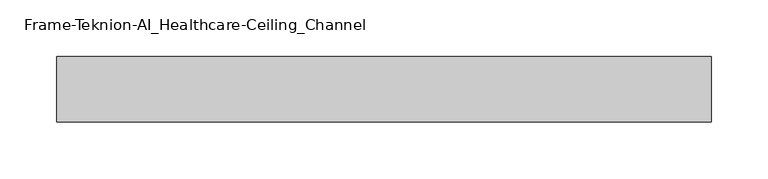
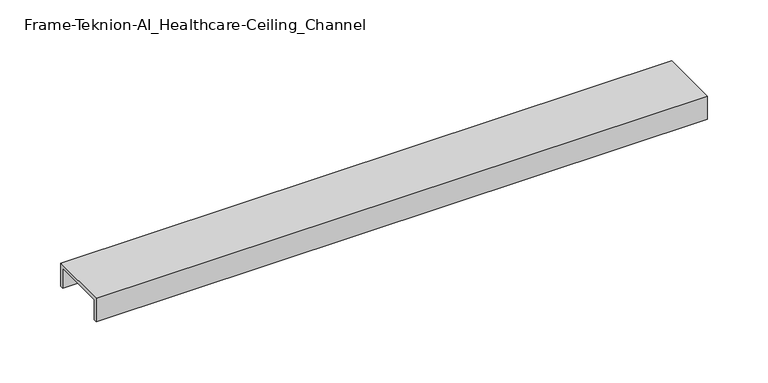
"""IFC4 building model written with IfcOpenShell, lengths in millimetres: proxy geometry, Frame-Teknion-AI_Healthcare-Ceiling_Channel."""

import ifcopenshell
import ifcopenshell.guid

model = None  # the IFC model being written
_history = None  # IfcOwnerHistory: only IFC2X3 demands one
_inside = {}  # id of a spatial element -> (the spatial element, [elements in it])
_under = {}  # id of a project, library or spatial element -> (it, [spatial elements below it])
_declared = {}  # id of a project -> (the project, [libraries it declares])
_typed = {}  # id of a type object -> (the type object, [elements of that type])
_made_of = {}  # id of a material, layer set ... -> (it, [elements and type objects made of it])


def new_model(schema):
    """Start an empty IFC model of exactly this schema.

    Asked for "IFC4X3", IfcOpenShell would pick the latest addendum, in which some entities
    have other attributes; the version numbers below select the first issue.
    IFC2X3 requires an IfcOwnerHistory on every rooted entity: one is made here for all.
    """
    global model, _history
    if schema == "IFC4X3":
        model = ifcopenshell.file(schema_version=(4, 3, 0, 0))
    else:
        model = ifcopenshell.file(schema=schema)
    _inside.clear()
    _under.clear()
    _declared.clear()
    _typed.clear()
    _made_of.clear()
    _history = None
    if model.schema == "IFC2X3":
        org = make("IfcOrganization", Name="unknown")
        user = make(
            "IfcPersonAndOrganization",
            ThePerson=make("IfcPerson", FamilyName="unknown"),
            TheOrganization=org,
        )
        app = make(
            "IfcApplication",
            ApplicationDeveloper=org,
            Version="unknown",
            ApplicationFullName="unknown",
            ApplicationIdentifier="unknown",
        )
        _history = make(
            "IfcOwnerHistory",
            OwningUser=user,
            OwningApplication=app,
            ChangeAction="ADDED",
            CreationDate=0,
        )
    return model


def make(cls, **values):
    """One entity of the class cls with the attributes given. An attribute that is None is left unset."""
    return model.create_entity(
        cls, **{name: value for name, value in values.items() if value is not None}
    )


def rooted(cls, **values):
    """An entity with a GlobalId (a new one), such as an element, a storey or a relation."""
    return make(cls, GlobalId=ifcopenshell.guid.new(), OwnerHistory=_history, **values)


def si_unit(unit_type, name, prefix=None):
    """IfcSIUnit, for example si_unit("LENGTHUNIT", "METRE", prefix="MILLI")."""
    return make("IfcSIUnit", UnitType=unit_type, Prefix=prefix, Name=name)


def assignment(units):
    """IfcUnitAssignment: the units of a project."""
    return None if units is None else make("IfcUnitAssignment", Units=units)


def point(xyz):
    """IfcCartesianPoint."""
    return None if xyz is None else make("IfcCartesianPoint", Coordinates=xyz)


def direction(xyz):
    """IfcDirection."""
    return None if xyz is None else make("IfcDirection", DirectionRatios=xyz)


def frame(location, z_axis=None, x_axis=None):
    """IfcAxis2Placement3D, a coordinate frame: its origin and axes. An axis left out is left unset."""
    return make(
        "IfcAxis2Placement3D",
        Location=point(location),
        Axis=direction(z_axis),
        RefDirection=direction(x_axis),
    )


def origin():
    """The frame at (0, 0, 0) with its axes left unset."""
    return frame((0.0, 0.0, 0.0))


def place(relative_to, where):
    """IfcLocalPlacement: puts the frame where relative to a parent placement (None: the world)."""
    return make(
        "IfcLocalPlacement", PlacementRelTo=relative_to, RelativePlacement=where
    )


def context(
    kind, dimensions, precision=None, world=None, true_north=None, identifier=None
):
    """IfcGeometricRepresentationContext, for example the 3D "Model" context."""
    return make(
        "IfcGeometricRepresentationContext",
        ContextIdentifier=identifier,
        ContextType=kind,
        CoordinateSpaceDimension=dimensions,
        Precision=precision,
        WorldCoordinateSystem=world,
        TrueNorth=true_north,
    )


def project(units=None, contexts=None):
    """IfcProject with its units and contexts."""
    return rooted(
        "IfcProject",
        Name="project",
        RepresentationContexts=contexts,
        UnitsInContext=assignment(units),
    )


def spatial(cls, under=None, at=None, **own):
    """A site, building, storey or space (cls), placed at a placement, below another one or the project."""
    s = rooted(cls, ObjectPlacement=at, **own)
    if under is not None:
        _under.setdefault(under.id(), (under, []))[1].append(s)
    return s


def polyline(points):
    """IfcPolyline through the points."""
    return make("IfcPolyline", Points=[point(p) for p in points])


def outline(outer, holes=None, kind="AREA"):
    """IfcArbitraryClosedProfileDef: a profile drawn as a closed curve; with holes, ...WithVoids."""
    if holes is None:
        return make("IfcArbitraryClosedProfileDef", ProfileType=kind, OuterCurve=outer)
    return make(
        "IfcArbitraryProfileDefWithVoids",
        ProfileType=kind,
        OuterCurve=outer,
        InnerCurves=holes,
    )


def extrude(swept, where, along, depth):
    """IfcExtrudedAreaSolid: the profile swept, set in the frame where, extruded along a direction by depth."""
    return make(
        "IfcExtrudedAreaSolid",
        SweptArea=swept,
        Position=where,
        ExtrudedDirection=direction(along),
        Depth=depth,
    )


def shape(context_of_items, identifier, shape_type, items):
    """IfcShapeRepresentation: the items that make up one representation, for example the "Body"."""
    return make(
        "IfcShapeRepresentation",
        ContextOfItems=context_of_items,
        RepresentationIdentifier=identifier,
        RepresentationType=shape_type,
        Items=items,
    )


def source(mapping_origin, context_of_items, identifier, shape_type, items):
    """IfcRepresentationMap: a shape defined once, which mapped items show again and again."""
    return make(
        "IfcRepresentationMap",
        MappingOrigin=mapping_origin,
        MappedRepresentation=shape(context_of_items, identifier, shape_type, items),
    )


def transform(
    local_origin,
    x_axis=None,
    y_axis=None,
    z_axis=None,
    scale=None,
    scale2=None,
    scale3=None,
    uniform=True,
):
    """IfcCartesianTransformationOperator3D, or its non-uniform kind. x_axis, y_axis, z_axis: its Axis1, 2, 3."""
    if uniform:
        return make(
            "IfcCartesianTransformationOperator3D",
            Axis1=direction(x_axis),
            Axis2=direction(y_axis),
            LocalOrigin=point(local_origin),
            Scale=scale,
            Axis3=direction(z_axis),
        )
    return make(
        "IfcCartesianTransformationOperator3DnonUniform",
        Axis1=direction(x_axis),
        Axis2=direction(y_axis),
        LocalOrigin=point(local_origin),
        Scale=scale,
        Axis3=direction(z_axis),
        Scale2=scale2,
        Scale3=scale3,
    )


def mapped(mapping_source, mapping_target):
    """IfcMappedItem: shows the shape of a source again, moved by a transform."""
    return make(
        "IfcMappedItem", MappingSource=mapping_source, MappingTarget=mapping_target
    )


def made_of(thing, what):
    """Note that an element or type object is made of a material, layer set ...; save() writes the relation."""
    if what is not None:
        _made_of.setdefault(what.id(), (what, []))[1].append(thing)
    return thing


def element(
    cls,
    number,
    at=None,
    inside=None,
    cuts=None,
    type_object=None,
    material=None,
    context=None,
    identifier="Body",
    shape_type=None,
    held_by="IfcProductDefinitionShape",
    body=None,
    shapes=None,
    **own,
):
    """One element of the class cls, such as IfcWall. Its Tag is "e" and its number.

    at: its placement. inside: the storey or other place that contains it. cuts: it is an
    opening in that element (IfcRelVoidsElement). A single representation is given by context,
    identifier, shape_type and body (its items); several are given by shapes. held_by: the class
    of the entity that holds the representations. save() writes the other relations.
    """
    e = rooted(cls, Tag="e%d" % number, ObjectPlacement=at, **own)
    if body is not None:
        shapes = [shape(context, identifier, shape_type, body)]
    if shapes is not None:
        e.Representation = make(held_by, Representations=shapes)
    if inside is not None:
        _inside.setdefault(inside.id(), (inside, []))[1].append(e)
    if cuts is not None:
        rooted(
            "IfcRelVoidsElement", RelatingBuildingElement=cuts, RelatedOpeningElement=e
        )
    if type_object is not None:
        _typed.setdefault(type_object.id(), (type_object, []))[1].append(e)
    return made_of(e, material)


def aggregate(whole, parts):
    """IfcRelAggregates: a whole, such as a stair, and the parts it consists of."""
    return rooted("IfcRelAggregates", RelatingObject=whole, RelatedObjects=parts)


def save(model, path):
    """Write the relations noted so far, then the file.

    IfcRelAggregates (storeys below a building ...), IfcRelContainedInSpatialStructure (elements
    in a storey), IfcRelDefinesByType, IfcRelAssociatesMaterial and IfcRelDeclares: one each for
    every whole, place, type object, material and project.
    """
    for whole, parts in _under.values():
        aggregate(whole, parts)
    for where, things in _inside.values():
        rooted(
            "IfcRelContainedInSpatialStructure",
            RelatedElements=things,
            RelatingStructure=where,
        )
    for kind, things in _typed.values():
        rooted("IfcRelDefinesByType", RelatedObjects=things, RelatingType=kind)
    for what, things in _made_of.values():
        rooted("IfcRelAssociatesMaterial", RelatedObjects=things, RelatingMaterial=what)
    for by, libraries in _declared.values():
        rooted("IfcRelDeclares", RelatingContext=by, RelatedDefinitions=libraries)
    model.write(path)


def frame_teknion_ai_healthcare_ceiling_channel_1c155634(model_context):
    return source(origin(), model_context, "Body", "SweptSolid", [
        extrude(outline(polyline([(-29.083, -23.3164063), (-29.083, 0.0), (29.083, 0.0), (29.083, -23.3164063), (25.908, -23.3164063), (25.908, -3.175), (-25.908, -3.175), (-25.908, -23.3164063), (-29.083, -23.3164063)])), frame((-289.2008998, 0.0, 0.0), z_axis=(1.0, 0.0, 0.0), x_axis=(0.0, 1.0, 0.0)), (0.0, 0.0, 1.0), 578.4017997),
    ])


if __name__ == "__main__":
    model = new_model("IFC4")
    model_context = context("Model", 3, world=origin())
    ifc_project = project(units=[si_unit("LENGTHUNIT", "METRE", prefix="MILLI")], contexts=[model_context])
    site = spatial("IfcSite", under=ifc_project)
    building = spatial("IfcBuilding", under=site)
    placement = place(None, origin())
    frame_teknion_ai_healthcare_ceiling_channel_shape = frame_teknion_ai_healthcare_ceiling_channel_1c155634(model_context)
    element("IfcBuildingElementProxy", 1, Name="Frame-Teknion-AI_Healthcare-Ceiling_Channel", ObjectType="Frame-Teknion-AI_Healthcare-Ceiling_Channel", at=placement, inside=building, context=model_context, shape_type="MappedRepresentation", body=[
        mapped(frame_teknion_ai_healthcare_ceiling_channel_shape, transform((0.0, 0.0, 0.0), x_axis=(1.0, 0.0, 0.0), y_axis=(0.0, 1.0, 0.0), z_axis=(0.0, 0.0, 1.0))),
    ])
    save(model, "model.ifc")
